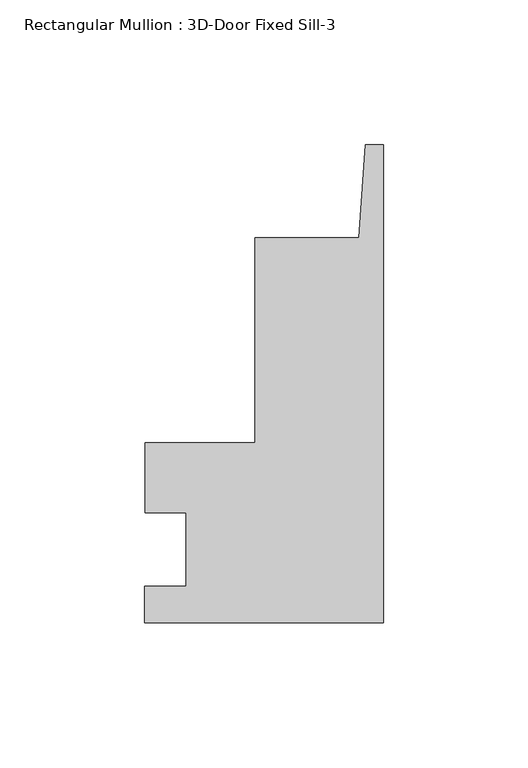
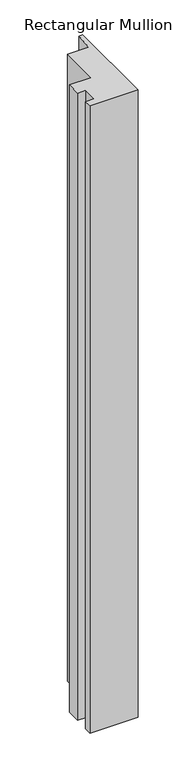
"""IFC4 building model written with IfcOpenShell, lengths in millimetres: member geometry, Rectangular Mullion : 3D-Door Fixed Sill-3."""

import ifcopenshell
import ifcopenshell.guid

model = None  # the IFC model being written
_history = None  # IfcOwnerHistory: only IFC2X3 demands one
_inside = {}  # id of a spatial element -> (the spatial element, [elements in it])
_under = {}  # id of a project, library or spatial element -> (it, [spatial elements below it])
_declared = {}  # id of a project -> (the project, [libraries it declares])
_typed = {}  # id of a type object -> (the type object, [elements of that type])
_made_of = {}  # id of a material, layer set ... -> (it, [elements and type objects made of it])


def new_model(schema):
    """Start an empty IFC model of exactly this schema.

    Asked for "IFC4X3", IfcOpenShell would pick the latest addendum, in which some entities
    have other attributes; the version numbers below select the first issue.
    IFC2X3 requires an IfcOwnerHistory on every rooted entity: one is made here for all.
    """
    global model, _history
    if schema == "IFC4X3":
        model = ifcopenshell.file(schema_version=(4, 3, 0, 0))
    else:
        model = ifcopenshell.file(schema=schema)
    _inside.clear()
    _under.clear()
    _declared.clear()
    _typed.clear()
    _made_of.clear()
    _history = None
    if model.schema == "IFC2X3":
        org = make("IfcOrganization", Name="unknown")
        user = make(
            "IfcPersonAndOrganization",
            ThePerson=make("IfcPerson", FamilyName="unknown"),
            TheOrganization=org,
        )
        app = make(
            "IfcApplication",
            ApplicationDeveloper=org,
            Version="unknown",
            ApplicationFullName="unknown",
            ApplicationIdentifier="unknown",
        )
        _history = make(
            "IfcOwnerHistory",
            OwningUser=user,
            OwningApplication=app,
            ChangeAction="ADDED",
            CreationDate=0,
        )
    return model


def make(cls, **values):
    """One entity of the class cls with the attributes given. An attribute that is None is left unset."""
    return model.create_entity(
        cls, **{name: value for name, value in values.items() if value is not None}
    )


def rooted(cls, **values):
    """An entity with a GlobalId (a new one), such as an element, a storey or a relation."""
    return make(cls, GlobalId=ifcopenshell.guid.new(), OwnerHistory=_history, **values)


def si_unit(unit_type, name, prefix=None):
    """IfcSIUnit, for example si_unit("LENGTHUNIT", "METRE", prefix="MILLI")."""
    return make("IfcSIUnit", UnitType=unit_type, Prefix=prefix, Name=name)


def assignment(units):
    """IfcUnitAssignment: the units of a project."""
    return None if units is None else make("IfcUnitAssignment", Units=units)


def point(xyz):
    """IfcCartesianPoint."""
    return None if xyz is None else make("IfcCartesianPoint", Coordinates=xyz)


def direction(xyz):
    """IfcDirection."""
    return None if xyz is None else make("IfcDirection", DirectionRatios=xyz)


def frame(location, z_axis=None, x_axis=None):
    """IfcAxis2Placement3D, a coordinate frame: its origin and axes. An axis left out is left unset."""
    return make(
        "IfcAxis2Placement3D",
        Location=point(location),
        Axis=direction(z_axis),
        RefDirection=direction(x_axis),
    )


def origin():
    """The frame at (0, 0, 0) with its axes left unset."""
    return frame((0.0, 0.0, 0.0))


def place(relative_to, where):
    """IfcLocalPlacement: puts the frame where relative to a parent placement (None: the world)."""
    return make(
        "IfcLocalPlacement", PlacementRelTo=relative_to, RelativePlacement=where
    )


def context(
    kind, dimensions, precision=None, world=None, true_north=None, identifier=None
):
    """IfcGeometricRepresentationContext, for example the 3D "Model" context."""
    return make(
        "IfcGeometricRepresentationContext",
        ContextIdentifier=identifier,
        ContextType=kind,
        CoordinateSpaceDimension=dimensions,
        Precision=precision,
        WorldCoordinateSystem=world,
        TrueNorth=true_north,
    )


def project(units=None, contexts=None):
    """IfcProject with its units and contexts."""
    return rooted(
        "IfcProject",
        Name="project",
        RepresentationContexts=contexts,
        UnitsInContext=assignment(units),
    )


def spatial(cls, under=None, at=None, **own):
    """A site, building, storey or space (cls), placed at a placement, below another one or the project."""
    s = rooted(cls, ObjectPlacement=at, **own)
    if under is not None:
        _under.setdefault(under.id(), (under, []))[1].append(s)
    return s


def polyline(points):
    """IfcPolyline through the points."""
    return make("IfcPolyline", Points=[point(p) for p in points])


def outline(outer, holes=None, kind="AREA"):
    """IfcArbitraryClosedProfileDef: a profile drawn as a closed curve; with holes, ...WithVoids."""
    if holes is None:
        return make("IfcArbitraryClosedProfileDef", ProfileType=kind, OuterCurve=outer)
    return make(
        "IfcArbitraryProfileDefWithVoids",
        ProfileType=kind,
        OuterCurve=outer,
        InnerCurves=holes,
    )


def extrude(swept, where, along, depth):
    """IfcExtrudedAreaSolid: the profile swept, set in the frame where, extruded along a direction by depth."""
    return make(
        "IfcExtrudedAreaSolid",
        SweptArea=swept,
        Position=where,
        ExtrudedDirection=direction(along),
        Depth=depth,
    )


def shape(context_of_items, identifier, shape_type, items):
    """IfcShapeRepresentation: the items that make up one representation, for example the "Body"."""
    return make(
        "IfcShapeRepresentation",
        ContextOfItems=context_of_items,
        RepresentationIdentifier=identifier,
        RepresentationType=shape_type,
        Items=items,
    )


def source(mapping_origin, context_of_items, identifier, shape_type, items):
    """IfcRepresentationMap: a shape defined once, which mapped items show again and again."""
    return make(
        "IfcRepresentationMap",
        MappingOrigin=mapping_origin,
        MappedRepresentation=shape(context_of_items, identifier, shape_type, items),
    )


def transform(
    local_origin,
    x_axis=None,
    y_axis=None,
    z_axis=None,
    scale=None,
    scale2=None,
    scale3=None,
    uniform=True,
):
    """IfcCartesianTransformationOperator3D, or its non-uniform kind. x_axis, y_axis, z_axis: its Axis1, 2, 3."""
    if uniform:
        return make(
            "IfcCartesianTransformationOperator3D",
            Axis1=direction(x_axis),
            Axis2=direction(y_axis),
            LocalOrigin=point(local_origin),
            Scale=scale,
            Axis3=direction(z_axis),
        )
    return make(
        "IfcCartesianTransformationOperator3DnonUniform",
        Axis1=direction(x_axis),
        Axis2=direction(y_axis),
        LocalOrigin=point(local_origin),
        Scale=scale,
        Axis3=direction(z_axis),
        Scale2=scale2,
        Scale3=scale3,
    )


def mapped(mapping_source, mapping_target):
    """IfcMappedItem: shows the shape of a source again, moved by a transform."""
    return make(
        "IfcMappedItem", MappingSource=mapping_source, MappingTarget=mapping_target
    )


def made_of(thing, what):
    """Note that an element or type object is made of a material, layer set ...; save() writes the relation."""
    if what is not None:
        _made_of.setdefault(what.id(), (what, []))[1].append(thing)
    return thing


def element(
    cls,
    number,
    at=None,
    inside=None,
    cuts=None,
    type_object=None,
    material=None,
    context=None,
    identifier="Body",
    shape_type=None,
    held_by="IfcProductDefinitionShape",
    body=None,
    shapes=None,
    **own,
):
    """One element of the class cls, such as IfcWall. Its Tag is "e" and its number.

    at: its placement. inside: the storey or other place that contains it. cuts: it is an
    opening in that element (IfcRelVoidsElement). A single representation is given by context,
    identifier, shape_type and body (its items); several are given by shapes. held_by: the class
    of the entity that holds the representations. save() writes the other relations.
    """
    e = rooted(cls, Tag="e%d" % number, ObjectPlacement=at, **own)
    if body is not None:
        shapes = [shape(context, identifier, shape_type, body)]
    if shapes is not None:
        e.Representation = make(held_by, Representations=shapes)
    if inside is not None:
        _inside.setdefault(inside.id(), (inside, []))[1].append(e)
    if cuts is not None:
        rooted(
            "IfcRelVoidsElement", RelatingBuildingElement=cuts, RelatedOpeningElement=e
        )
    if type_object is not None:
        _typed.setdefault(type_object.id(), (type_object, []))[1].append(e)
    return made_of(e, material)


def aggregate(whole, parts):
    """IfcRelAggregates: a whole, such as a stair, and the parts it consists of."""
    return rooted("IfcRelAggregates", RelatingObject=whole, RelatedObjects=parts)


def save(model, path):
    """Write the relations noted so far, then the file.

    IfcRelAggregates (storeys below a building ...), IfcRelContainedInSpatialStructure (elements
    in a storey), IfcRelDefinesByType, IfcRelAssociatesMaterial and IfcRelDeclares: one each for
    every whole, place, type object, material and project.
    """
    for whole, parts in _under.values():
        aggregate(whole, parts)
    for where, things in _inside.values():
        rooted(
            "IfcRelContainedInSpatialStructure",
            RelatedElements=things,
            RelatingStructure=where,
        )
    for kind, things in _typed.values():
        rooted("IfcRelDefinesByType", RelatedObjects=things, RelatingType=kind)
    for what, things in _made_of.values():
        rooted("IfcRelAssociatesMaterial", RelatedObjects=things, RelatingMaterial=what)
    for by, libraries in _declared.values():
        rooted("IfcRelDeclares", RelatingContext=by, RelatedDefinitions=libraries)
    model.write(path)


def rectangular_mullion_3d_door_fixed_sill_3_b484bfe1(model_context):
    return source(origin(), model_context, "Body", "SweptSolid", [
        extrude(outline(polyline([(0.0, -79.1222188), (-82.549973, -79.1222188), (-82.549973, -66.5007081), (-68.2624964, -66.5007081), (-68.2624964, -41.1007081), (-82.2959964, -41.1007081), (-82.2959964, -16.9136564), (-44.4499964, -16.9136564), (-44.4499964, 53.9206563), (-8.4528974, 53.9206563), (-6.2322928, 85.9777812), (0.0, 85.9777812), (0.0, -79.1222188)])), frame((0.0, 0.0, -1143.0), z_axis=(0.0, 0.0, 1.0), x_axis=(1.0, 0.0, 0.0)), (0.0, 0.0, 1.0), 1143.0),
    ])


if __name__ == "__main__":
    model = new_model("IFC4")
    model_context = context("Model", 3, world=origin())
    ifc_project = project(units=[si_unit("LENGTHUNIT", "METRE", prefix="MILLI")], contexts=[model_context])
    site = spatial("IfcSite", under=ifc_project)
    building = spatial("IfcBuilding", under=site)
    placement = place(None, origin())
    rectangular_mullion_3d_door_fixed_sill_3_shape = rectangular_mullion_3d_door_fixed_sill_3_b484bfe1(model_context)
    element("IfcMember", 1, ObjectType="Rectangular Mullion : 3D-Door Fixed Sill-3", at=placement, inside=building, context=model_context, shape_type="MappedRepresentation", body=[
        mapped(rectangular_mullion_3d_door_fixed_sill_3_shape, transform((0.0, 0.0, 0.0), x_axis=(1.0, 0.0, 0.0), y_axis=(0.0, 1.0, 0.0), z_axis=(0.0, 0.0, 1.0))),
    ])
    save(model, "model.ifc")
